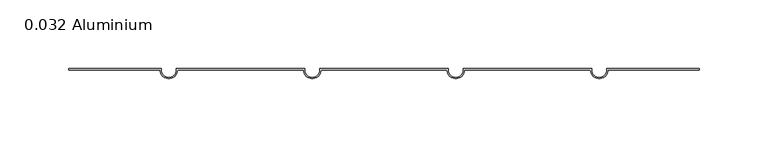
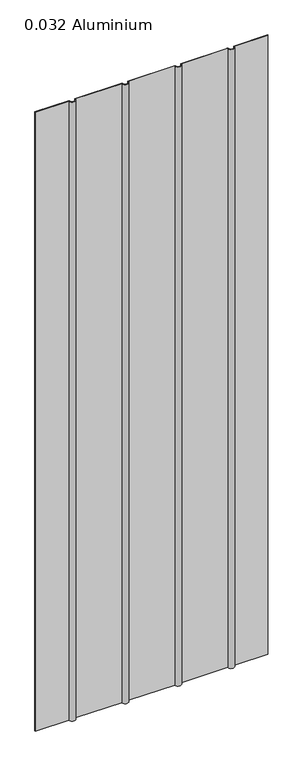
"""IFC4 building model written with IfcOpenShell, lengths in millimetres: plate geometry, 0.032 Aluminium."""

from ifc_helpers import new_model, si_unit, point, frame_2d, origin, origin_with_axes, place, context, project, spatial, polyline, circle_curve, trimmed, segment, composite_curve, outline, extrude, source, transform, mapped, element, save


def plate_0_032_aluminium_42d2a43c(model_context):
    return source(origin(), model_context, "Body", "SweptSolid", [
        extrude(outline(composite_curve([segment(polyline([(45.68698, 0.0), (-45.68698, 0.0)]), True, "CONTINUOUS"), segment(trimmed(circle_curve(frame_2d((-52.03698, 0.0)), 6.35), [point((-45.68698, 0.0))], [point((-58.38698, 0.0))], False, "CARTESIAN"), True, "CONTINUOUS"), segment(polyline([(-58.38698, 0.0), (-149.76094, 0.0)]), True, "CONTINUOUS"), segment(trimmed(circle_curve(frame_2d((-156.11094, 0.0)), 6.35), [point((-149.76094, 0.0))], [point((-162.46094, 0.0))], False, "CARTESIAN"), True, "CONTINUOUS"), segment(polyline([(-162.46094, 0.0), (-228.6, 0.0), (-228.6, 0.8128), (-161.64814, 0.8128), (-161.64814, 0.0)]), True, "CONTINUOUS"), segment(trimmed(circle_curve(frame_2d((-156.11094, 0.0)), 5.5372), [point((-161.64814, 0.0))], [point((-150.57374, 0.0))], True, "CARTESIAN"), True, "CONTINUOUS"), segment(polyline([(-150.57374, 0.0), (-150.57374, 0.8128), (-57.57418, 0.8128), (-57.57418, 0.0)]), True, "CONTINUOUS"), segment(trimmed(circle_curve(frame_2d((-52.03698, 0.0)), 5.5372), [point((-57.57418, 0.0))], [point((-46.49978, 0.0))], True, "CARTESIAN"), True, "CONTINUOUS"), segment(polyline([(-46.49978, 0.0), (-46.49978, 0.8128), (46.49978, 0.8128), (46.49978, 0.0)]), True, "CONTINUOUS"), segment(trimmed(circle_curve(frame_2d((52.03698, 0.0)), 5.5372), [point((46.49978, 0.0))], [point((57.57418, 0.0))], True, "CARTESIAN"), True, "CONTINUOUS"), segment(polyline([(57.57418, 0.0), (57.57418, 0.8128), (150.57374, 0.8128), (150.57374, 0.0)]), True, "CONTINUOUS"), segment(trimmed(circle_curve(frame_2d((156.11094, 0.0)), 5.5372), [point((150.57374, 0.0))], [point((161.64814, 0.0))], True, "CARTESIAN"), True, "CONTINUOUS"), segment(polyline([(161.64814, 0.0), (161.64814, 0.8128), (228.6, 0.8128), (228.6, 0.0), (162.46094, 0.0)]), True, "CONTINUOUS"), segment(trimmed(circle_curve(frame_2d((156.11094, 0.0)), 6.35), [point((162.46094, 0.0))], [point((149.76094, 0.0))], False, "CARTESIAN"), True, "CONTINUOUS"), segment(polyline([(149.76094, 0.0), (58.38698, 0.0)]), True, "CONTINUOUS"), segment(trimmed(circle_curve(frame_2d((52.03698, 0.0)), 6.35), [point((58.38698, 0.0))], [point((45.68698, 0.0))], False, "CARTESIAN"), True, "CONTINUOUS")], self_intersect=False)), origin_with_axes(), (0.0, 0.0, 1.0), 1285.875),
    ])


if __name__ == "__main__":
    model = new_model("IFC4")
    model_context = context("Model", 3, world=origin())
    ifc_project = project(units=[si_unit("LENGTHUNIT", "METRE", prefix="MILLI")], contexts=[model_context])
    site = spatial("IfcSite", under=ifc_project)
    building = spatial("IfcBuilding", under=site)
    placement = place(None, origin())
    plate_0_032_aluminium_shape = plate_0_032_aluminium_42d2a43c(model_context)
    element("IfcPlate", 1, ObjectType="0.032 Aluminium", at=placement, inside=building, context=model_context, shape_type="MappedRepresentation", body=[
        mapped(plate_0_032_aluminium_shape, transform((0.0, 0.0, 0.0), x_axis=(1.0, 0.0, 0.0), y_axis=(0.0, 1.0, 0.0), z_axis=(0.0, 0.0, 1.0))),
    ])
    save(model, "model.ifc")
